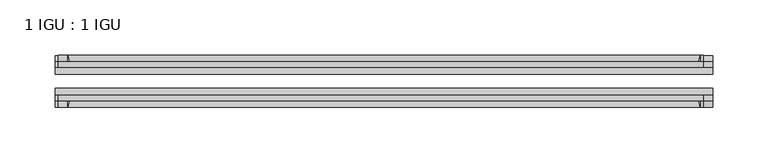
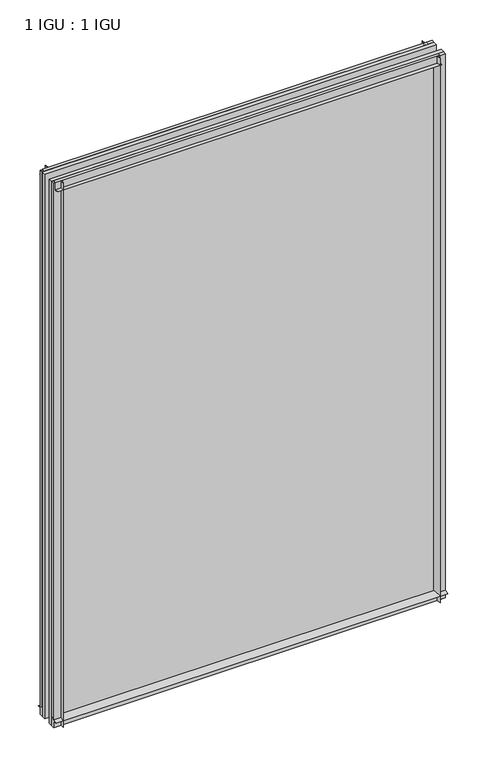
"""IFC4 building model written with IfcOpenShell, lengths in millimetres: plate geometry, 1 IGU : 1 IGU."""

import ifcopenshell
import ifcopenshell.guid

model = None  # the IFC model being written
_history = None  # IfcOwnerHistory: only IFC2X3 demands one
_inside = {}  # id of a spatial element -> (the spatial element, [elements in it])
_under = {}  # id of a project, library or spatial element -> (it, [spatial elements below it])
_declared = {}  # id of a project -> (the project, [libraries it declares])
_typed = {}  # id of a type object -> (the type object, [elements of that type])
_made_of = {}  # id of a material, layer set ... -> (it, [elements and type objects made of it])


def new_model(schema):
    """Start an empty IFC model of exactly this schema.

    Asked for "IFC4X3", IfcOpenShell would pick the latest addendum, in which some entities
    have other attributes; the version numbers below select the first issue.
    IFC2X3 requires an IfcOwnerHistory on every rooted entity: one is made here for all.
    """
    global model, _history
    if schema == "IFC4X3":
        model = ifcopenshell.file(schema_version=(4, 3, 0, 0))
    else:
        model = ifcopenshell.file(schema=schema)
    _inside.clear()
    _under.clear()
    _declared.clear()
    _typed.clear()
    _made_of.clear()
    _history = None
    if model.schema == "IFC2X3":
        org = make("IfcOrganization", Name="unknown")
        user = make(
            "IfcPersonAndOrganization",
            ThePerson=make("IfcPerson", FamilyName="unknown"),
            TheOrganization=org,
        )
        app = make(
            "IfcApplication",
            ApplicationDeveloper=org,
            Version="unknown",
            ApplicationFullName="unknown",
            ApplicationIdentifier="unknown",
        )
        _history = make(
            "IfcOwnerHistory",
            OwningUser=user,
            OwningApplication=app,
            ChangeAction="ADDED",
            CreationDate=0,
        )
    return model


def make(cls, **values):
    """One entity of the class cls with the attributes given. An attribute that is None is left unset."""
    return model.create_entity(
        cls, **{name: value for name, value in values.items() if value is not None}
    )


def rooted(cls, **values):
    """An entity with a GlobalId (a new one), such as an element, a storey or a relation."""
    return make(cls, GlobalId=ifcopenshell.guid.new(), OwnerHistory=_history, **values)


def si_unit(unit_type, name, prefix=None):
    """IfcSIUnit, for example si_unit("LENGTHUNIT", "METRE", prefix="MILLI")."""
    return make("IfcSIUnit", UnitType=unit_type, Prefix=prefix, Name=name)


def assignment(units):
    """IfcUnitAssignment: the units of a project."""
    return None if units is None else make("IfcUnitAssignment", Units=units)


def point(xyz):
    """IfcCartesianPoint."""
    return None if xyz is None else make("IfcCartesianPoint", Coordinates=xyz)


def direction(xyz):
    """IfcDirection."""
    return None if xyz is None else make("IfcDirection", DirectionRatios=xyz)


def frame(location, z_axis=None, x_axis=None):
    """IfcAxis2Placement3D, a coordinate frame: its origin and axes. An axis left out is left unset."""
    return make(
        "IfcAxis2Placement3D",
        Location=point(location),
        Axis=direction(z_axis),
        RefDirection=direction(x_axis),
    )


def frame_2d(location, x_axis=None):
    """IfcAxis2Placement2D, a coordinate frame in the plane: its origin and x axis."""
    return make(
        "IfcAxis2Placement2D", Location=point(location), RefDirection=direction(x_axis)
    )


def origin():
    """The frame at (0, 0, 0) with its axes left unset."""
    return frame((0.0, 0.0, 0.0))


def place(relative_to, where):
    """IfcLocalPlacement: puts the frame where relative to a parent placement (None: the world)."""
    return make(
        "IfcLocalPlacement", PlacementRelTo=relative_to, RelativePlacement=where
    )


def context(
    kind, dimensions, precision=None, world=None, true_north=None, identifier=None
):
    """IfcGeometricRepresentationContext, for example the 3D "Model" context."""
    return make(
        "IfcGeometricRepresentationContext",
        ContextIdentifier=identifier,
        ContextType=kind,
        CoordinateSpaceDimension=dimensions,
        Precision=precision,
        WorldCoordinateSystem=world,
        TrueNorth=true_north,
    )


def project(units=None, contexts=None):
    """IfcProject with its units and contexts."""
    return rooted(
        "IfcProject",
        Name="project",
        RepresentationContexts=contexts,
        UnitsInContext=assignment(units),
    )


def spatial(cls, under=None, at=None, **own):
    """A site, building, storey or space (cls), placed at a placement, below another one or the project."""
    s = rooted(cls, ObjectPlacement=at, **own)
    if under is not None:
        _under.setdefault(under.id(), (under, []))[1].append(s)
    return s


def polyline(points):
    """IfcPolyline through the points."""
    return make("IfcPolyline", Points=[point(p) for p in points])


def circle_curve(where, radius):
    """IfcCircle in the frame where."""
    return make("IfcCircle", Position=where, Radius=radius)


def trimmed(basis, trim1, trim2, sense, master):
    """IfcTrimmedCurve: the piece of a basis curve between two trims."""
    return make(
        "IfcTrimmedCurve",
        BasisCurve=basis,
        Trim1=trim1,
        Trim2=trim2,
        SenseAgreement=sense,
        MasterRepresentation=master,
    )


def segment(curve, same_sense, transition):
    """IfcCompositeCurveSegment."""
    return make(
        "IfcCompositeCurveSegment",
        Transition=transition,
        SameSense=same_sense,
        ParentCurve=curve,
    )


def composite_curve(segments, self_intersect=None):
    """IfcCompositeCurve: segments joined end to end."""
    return make("IfcCompositeCurve", Segments=segments, SelfIntersect=self_intersect)


def outline(outer, holes=None, kind="AREA"):
    """IfcArbitraryClosedProfileDef: a profile drawn as a closed curve; with holes, ...WithVoids."""
    if holes is None:
        return make("IfcArbitraryClosedProfileDef", ProfileType=kind, OuterCurve=outer)
    return make(
        "IfcArbitraryProfileDefWithVoids",
        ProfileType=kind,
        OuterCurve=outer,
        InnerCurves=holes,
    )


def extrude(swept, where, along, depth):
    """IfcExtrudedAreaSolid: the profile swept, set in the frame where, extruded along a direction by depth."""
    return make(
        "IfcExtrudedAreaSolid",
        SweptArea=swept,
        Position=where,
        ExtrudedDirection=direction(along),
        Depth=depth,
    )


def shape(context_of_items, identifier, shape_type, items):
    """IfcShapeRepresentation: the items that make up one representation, for example the "Body"."""
    return make(
        "IfcShapeRepresentation",
        ContextOfItems=context_of_items,
        RepresentationIdentifier=identifier,
        RepresentationType=shape_type,
        Items=items,
    )


def source(mapping_origin, context_of_items, identifier, shape_type, items):
    """IfcRepresentationMap: a shape defined once, which mapped items show again and again."""
    return make(
        "IfcRepresentationMap",
        MappingOrigin=mapping_origin,
        MappedRepresentation=shape(context_of_items, identifier, shape_type, items),
    )


def transform(
    local_origin,
    x_axis=None,
    y_axis=None,
    z_axis=None,
    scale=None,
    scale2=None,
    scale3=None,
    uniform=True,
):
    """IfcCartesianTransformationOperator3D, or its non-uniform kind. x_axis, y_axis, z_axis: its Axis1, 2, 3."""
    if uniform:
        return make(
            "IfcCartesianTransformationOperator3D",
            Axis1=direction(x_axis),
            Axis2=direction(y_axis),
            LocalOrigin=point(local_origin),
            Scale=scale,
            Axis3=direction(z_axis),
        )
    return make(
        "IfcCartesianTransformationOperator3DnonUniform",
        Axis1=direction(x_axis),
        Axis2=direction(y_axis),
        LocalOrigin=point(local_origin),
        Scale=scale,
        Axis3=direction(z_axis),
        Scale2=scale2,
        Scale3=scale3,
    )


def mapped(mapping_source, mapping_target):
    """IfcMappedItem: shows the shape of a source again, moved by a transform."""
    return make(
        "IfcMappedItem", MappingSource=mapping_source, MappingTarget=mapping_target
    )


def made_of(thing, what):
    """Note that an element or type object is made of a material, layer set ...; save() writes the relation."""
    if what is not None:
        _made_of.setdefault(what.id(), (what, []))[1].append(thing)
    return thing


def element(
    cls,
    number,
    at=None,
    inside=None,
    cuts=None,
    type_object=None,
    material=None,
    context=None,
    identifier="Body",
    shape_type=None,
    held_by="IfcProductDefinitionShape",
    body=None,
    shapes=None,
    **own,
):
    """One element of the class cls, such as IfcWall. Its Tag is "e" and its number.

    at: its placement. inside: the storey or other place that contains it. cuts: it is an
    opening in that element (IfcRelVoidsElement). A single representation is given by context,
    identifier, shape_type and body (its items); several are given by shapes. held_by: the class
    of the entity that holds the representations. save() writes the other relations.
    """
    e = rooted(cls, Tag="e%d" % number, ObjectPlacement=at, **own)
    if body is not None:
        shapes = [shape(context, identifier, shape_type, body)]
    if shapes is not None:
        e.Representation = make(held_by, Representations=shapes)
    if inside is not None:
        _inside.setdefault(inside.id(), (inside, []))[1].append(e)
    if cuts is not None:
        rooted(
            "IfcRelVoidsElement", RelatingBuildingElement=cuts, RelatedOpeningElement=e
        )
    if type_object is not None:
        _typed.setdefault(type_object.id(), (type_object, []))[1].append(e)
    return made_of(e, material)


def aggregate(whole, parts):
    """IfcRelAggregates: a whole, such as a stair, and the parts it consists of."""
    return rooted("IfcRelAggregates", RelatingObject=whole, RelatedObjects=parts)


def save(model, path):
    """Write the relations noted so far, then the file.

    IfcRelAggregates (storeys below a building ...), IfcRelContainedInSpatialStructure (elements
    in a storey), IfcRelDefinesByType, IfcRelAssociatesMaterial and IfcRelDeclares: one each for
    every whole, place, type object, material and project.
    """
    for whole, parts in _under.values():
        aggregate(whole, parts)
    for where, things in _inside.values():
        rooted(
            "IfcRelContainedInSpatialStructure",
            RelatedElements=things,
            RelatingStructure=where,
        )
    for kind, things in _typed.values():
        rooted("IfcRelDefinesByType", RelatedObjects=things, RelatingType=kind)
    for what, things in _made_of.values():
        rooted("IfcRelAssociatesMaterial", RelatedObjects=things, RelatingMaterial=what)
    for by, libraries in _declared.values():
        rooted("IfcRelDeclares", RelatingContext=by, RelatedDefinitions=libraries)
    model.write(path)


def plate_1_igu_1_igu_0fc67932(model_context):
    return source(origin(), model_context, "Body", "SweptSolid", [
        extrude(outline(composite_curve([segment(trimmed(circle_curve(frame_2d((-28.0741797, 32.2797688)), 32.7673262), [point((-44.45, 3.8979053))], [point((-33.7058, 1.48e-05))], True, "CARTESIAN"), True, "CONTINUOUS"), segment(polyline([(-33.7058, 1.48e-05), (-39.6748, 1.48e-05), (-39.6748, -10.31875), (-44.45, -10.31875), (-44.45, 3.8979053)]), True, "CONTINUOUS")], self_intersect=False)), frame((-303.1870835, 0.0, 0.0), z_axis=(1.0, 0.0, 0.0), x_axis=(0.0, 1.0, 0.0)), (0.0, 0.0, 1.0), 593.674167),
        extrude(outline(composite_curve([segment(trimmed(circle_curve(frame_2d((-86.2258203, 32.2797602)), 32.7673262), [point((-80.5942354, 0.0))], [point((-69.85, 3.8978967))], True, "CARTESIAN"), True, "CONTINUOUS"), segment(polyline([(-69.85, 3.8978967), (-69.85, -10.31875), (-74.6252, -10.31875), (-74.6252, 0.0), (-80.5942354, 0.0)]), True, "CONTINUOUS")], self_intersect=False)), frame((-303.1870835, 0.0, 0.0), z_axis=(1.0, 0.0, 0.0), x_axis=(0.0, 1.0, 0.0)), (0.0, 0.0, 1.0), 593.674167),
        extrude(outline(composite_curve([segment(polyline([(-80.5942, 850.9), (-74.6252, 850.9), (-74.6252, 862.0125), (-69.85, 862.0125), (-69.85, 847.0021095)]), True, "CONTINUOUS"), segment(trimmed(circle_curve(frame_2d((-86.2258203, 818.620246)), 32.7673262), [point((-69.85, 847.0021095))], [point((-80.5942, 850.9))], True, "CARTESIAN"), True, "CONTINUOUS")], self_intersect=False)), frame((-300.5873221, 0.0, 0.0), z_axis=(1.0, 0.0, 0.0), x_axis=(0.0, 1.0, 0.0)), (0.0, 0.0, 1.0), 582.5078671),
        extrude(outline(composite_curve([segment(polyline([(-39.6748, 862.0125), (-39.6748, 850.9), (-33.7058, 850.9)]), True, "CONTINUOUS"), segment(trimmed(circle_curve(frame_2d((-28.0741797, 818.620246)), 32.7673262), [point((-33.7058, 850.9))], [point((-44.45, 847.0021095))], True, "CARTESIAN"), True, "CONTINUOUS"), segment(polyline([(-44.45, 847.0021095), (-44.45, 862.0125), (-39.6748, 862.0125)]), True, "CONTINUOUS")], self_intersect=False)), frame((-300.5873221, 0.0, 0.0), z_axis=(1.0, 0.0, 0.0), x_axis=(0.0, 1.0, 0.0)), (0.0, 0.0, 1.0), 582.5078671),
        extrude(outline(composite_curve([segment(polyline([(290.4870835, -39.6748), (290.4870835, -44.45), (275.476693, -44.45)]), True, "CONTINUOUS"), segment(trimmed(circle_curve(frame_2d((247.0948295, -28.0741797)), 32.7673262), [point((275.476693, -44.45))], [point((279.3745835, -33.7058))], True, "CARTESIAN"), True, "CONTINUOUS"), segment(polyline([(279.3745835, -33.7058), (279.3745835, -39.6748), (290.4870835, -39.6748)]), True, "CONTINUOUS")], self_intersect=False)), frame((0.0, 0.0, -10.31875), z_axis=(0.0, 0.0, 1.0), x_axis=(1.0, 0.0, 0.0)), (0.0, 0.0, 1.0), 872.33125),
        extrude(outline(composite_curve([segment(polyline([(290.4870835, -69.85), (290.4870835, -74.6252), (279.3745835, -74.6252), (279.3745835, -80.5942)]), True, "CONTINUOUS"), segment(trimmed(circle_curve(frame_2d((247.0948295, -86.2258203)), 32.7673262), [point((279.3745835, -80.5942))], [point((275.476693, -69.85))], True, "CARTESIAN"), True, "CONTINUOUS"), segment(polyline([(275.476693, -69.85), (290.4870835, -69.85)]), True, "CONTINUOUS")], self_intersect=False)), frame((0.0, 0.0, -10.31875), z_axis=(0.0, 0.0, 1.0), x_axis=(1.0, 0.0, 0.0)), (0.0, 0.0, 1.0), 872.33125),
        extrude(outline(composite_curve([segment(polyline([(-303.1870835, -39.6748), (-292.0745835, -39.6748), (-292.0745835, -33.7058)]), True, "CONTINUOUS"), segment(trimmed(circle_curve(frame_2d((-259.7948295, -28.0741797)), 32.7673262), [point((-292.0745835, -33.7058))], [point((-288.176693, -44.45))], True, "CARTESIAN"), True, "CONTINUOUS"), segment(polyline([(-288.176693, -44.45), (-303.1870835, -44.45), (-303.1870835, -39.6748)]), True, "CONTINUOUS")], self_intersect=False)), frame((0.0, 0.0, -10.31875), z_axis=(0.0, 0.0, 1.0), x_axis=(1.0, 0.0, 0.0)), (0.0, 0.0, 1.0), 872.33125),
        extrude(outline(composite_curve([segment(polyline([(-303.1870835, -74.6252), (-303.1870835, -69.85), (-288.176693, -69.85)]), True, "CONTINUOUS"), segment(trimmed(circle_curve(frame_2d((-259.7948295, -86.2258203)), 32.7673262), [point((-288.176693, -69.85))], [point((-292.0745835, -80.5942))], True, "CARTESIAN"), True, "CONTINUOUS"), segment(polyline([(-292.0745835, -80.5942), (-292.0745835, -74.6252), (-303.1870835, -74.6252)]), True, "CONTINUOUS")], self_intersect=False)), frame((0.0, 0.0, -10.31875), z_axis=(0.0, 0.0, 1.0), x_axis=(1.0, 0.0, 0.0)), (0.0, 0.0, 1.0), 872.33125),
        extrude(outline(polyline([(-303.1870835, -69.85), (-303.1870835, -63.5508), (290.4870835, -63.5508), (290.4870835, -69.85), (-303.1870835, -69.85)])), frame((0.0, 0.0, -10.31875), z_axis=(0.0, 0.0, 1.0), x_axis=(1.0, 0.0, 0.0)), (0.0, 0.0, 1.0), 872.33125),
        extrude(outline(polyline([(290.4870835, -50.7492), (-303.1870835, -50.7492), (-303.1870835, -44.45), (290.4870835, -44.45), (290.4870835, -50.7492)])), frame((0.0, 0.0, -10.31875), z_axis=(0.0, 0.0, 1.0), x_axis=(1.0, 0.0, 0.0)), (0.0, 0.0, 1.0), 872.33125),
    ])


if __name__ == "__main__":
    model = new_model("IFC4")
    model_context = context("Model", 3, world=origin())
    ifc_project = project(units=[si_unit("LENGTHUNIT", "METRE", prefix="MILLI")], contexts=[model_context])
    site = spatial("IfcSite", under=ifc_project)
    building = spatial("IfcBuilding", under=site)
    placement = place(None, origin())
    plate_1_igu_1_igu_shape = plate_1_igu_1_igu_0fc67932(model_context)
    element("IfcPlate", 1, ObjectType="1 IGU : 1 IGU", at=placement, inside=building, context=model_context, shape_type="MappedRepresentation", body=[
        mapped(plate_1_igu_1_igu_shape, transform((0.0, 0.0, 0.0), x_axis=(1.0, 0.0, 0.0), y_axis=(0.0, 1.0, 0.0), z_axis=(0.0, 0.0, 1.0))),
    ])
    save(model, "model.ifc")
